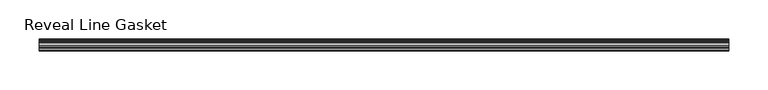
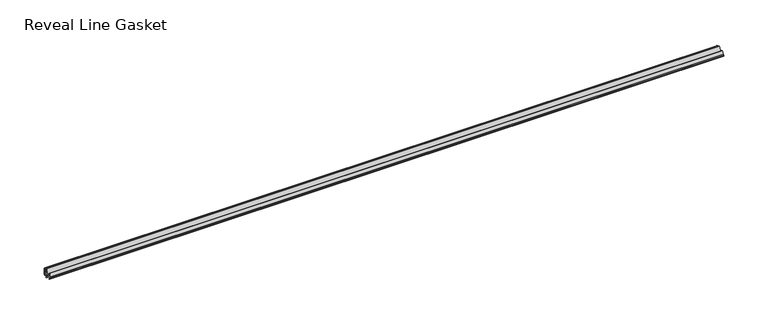
"""IFC4 building model written with IfcOpenShell, lengths in millimetres: furniture geometry, Reveal Line Gasket."""

from ifc_helpers import new_model, si_unit, point, frame, frame_2d, origin, place, context, project, spatial, polyline, circle_curve, trimmed, segment, composite_curve, outline, extrude, source, transform, mapped, element, save


def reveal_line_gasket_268d3c0b(model_context):
    return source(origin(), model_context, "Body", "SweptSolid", [
        extrude(outline(composite_curve([segment(polyline([(7.6326998, 1603.2), (7.6326998, 1597.2), (7.4091917, 1596.2445073), (6.8813059, 1595.3115316)]), True, "CONTINUOUS"), segment(trimmed(circle_curve(frame_2d((6.5243141, 1595.5135207)), 0.4101739), [point((6.8813059, 1595.3115316))], [point((6.1246704, 1595.6058653))], False, "CARTESIAN"), True, "CONTINUOUS"), segment(polyline([(6.1246704, 1595.6058653), (6.3626997, 1597.3020914), (6.3626997, 1599.3345473)]), True, "CONTINUOUS"), segment(trimmed(circle_curve(frame_2d((5.6959605, 1598.9180742)), 0.786124), [point((6.3626997, 1599.3345473))], [point((5.0926996, 1599.422125))], True, "CARTESIAN"), True, "CONTINUOUS"), segment(polyline([(5.0926996, 1599.422125), (0.7492996, 1599.422125), (3.7293824, 1594.2604705)]), True, "CONTINUOUS"), segment(trimmed(circle_curve(frame_2d((3.3132479, 1594.1950239)), 0.4212495), [point((3.7293824, 1594.2604705))], [point((3.0485022, 1593.8673642))], False, "CARTESIAN"), True, "CONTINUOUS"), segment(polyline([(3.0485022, 1593.8673642), (-0.5742594, 1599.422125), (-4.8262978, 1599.422125), (-3.1660374, 1596.5464703)]), True, "CONTINUOUS"), segment(trimmed(circle_curve(frame_2d((-3.5978728, 1596.4881145)), 0.4357605), [point((-3.1660374, 1596.5464703))], [point((-3.864328, 1596.1433119))], False, "CARTESIAN"), True, "CONTINUOUS"), segment(polyline([(-3.864328, 1596.1433119), (-6.1944059, 1599.422125), (-7.6326998, 1599.422125), (-7.6326998, 1600.977875), (-6.1944059, 1600.977875), (-3.864328, 1604.2566881)]), True, "CONTINUOUS"), segment(trimmed(circle_curve(frame_2d((-3.5978728, 1603.9118855)), 0.4357605), [point((-3.864328, 1604.2566881))], [point((-3.1660374, 1603.8535297))], False, "CARTESIAN"), True, "CONTINUOUS"), segment(polyline([(-3.1660374, 1603.8535297), (-4.8262978, 1600.977875), (-0.5742594, 1600.977875), (3.0485022, 1606.5326358)]), True, "CONTINUOUS"), segment(trimmed(circle_curve(frame_2d((3.3132479, 1606.2049761)), 0.4212495), [point((3.0485022, 1606.5326358))], [point((3.7293824, 1606.1395295))], False, "CARTESIAN"), True, "CONTINUOUS"), segment(polyline([(3.7293824, 1606.1395295), (0.7492996, 1600.977875), (5.0926996, 1600.977875)]), True, "CONTINUOUS"), segment(trimmed(circle_curve(frame_2d((5.6959605, 1601.4819258)), 0.786124), [point((5.0926996, 1600.977875))], [point((6.3626997, 1601.0654527))], True, "CARTESIAN"), True, "CONTINUOUS"), segment(polyline([(6.3626997, 1601.0654527), (6.3626997, 1603.0979086), (6.1246704, 1604.7941347)]), True, "CONTINUOUS"), segment(trimmed(circle_curve(frame_2d((6.5243141, 1604.8864793)), 0.4101739), [point((6.1246704, 1604.7941347))], [point((6.8813059, 1605.0884684))], False, "CARTESIAN"), True, "CONTINUOUS"), segment(polyline([(6.8813059, 1605.0884684), (7.4091917, 1604.1554927), (7.6326998, 1603.2)]), True, "CONTINUOUS")], self_intersect=False)), frame((-439.1239898, 0.0, 0.0), z_axis=(1.0, 0.0, 0.0), x_axis=(0.0, 1.0, 0.0)), (0.0, 0.0, 1.0), 878.2479795),
    ])


if __name__ == "__main__":
    model = new_model("IFC4")
    model_context = context("Model", 3, world=origin())
    ifc_project = project(units=[si_unit("LENGTHUNIT", "METRE", prefix="MILLI")], contexts=[model_context])
    site = spatial("IfcSite", under=ifc_project)
    building = spatial("IfcBuilding", under=site)
    placement = place(None, origin())
    reveal_line_gasket_shape = reveal_line_gasket_268d3c0b(model_context)
    element("IfcFurniture", 1, ObjectType="Reveal Line Gasket", at=placement, inside=building, context=model_context, shape_type="MappedRepresentation", body=[
        mapped(reveal_line_gasket_shape, transform((0.0, 0.0, 0.0), x_axis=(1.0, 0.0, 0.0), y_axis=(0.0, 1.0, 0.0), z_axis=(0.0, 0.0, 1.0))),
    ])
    save(model, "model.ifc")
